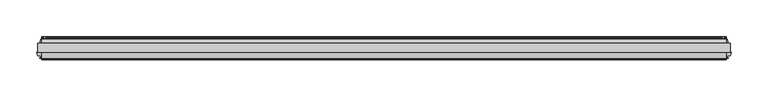
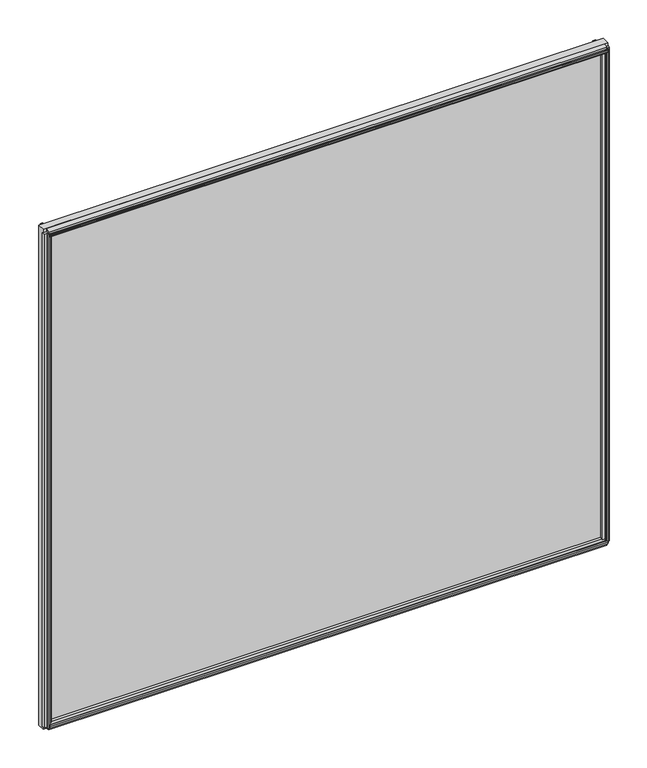
"""IFC4 building model written with IfcOpenShell, lengths in millimetres: plate geometry."""

from ifc_helpers import new_model, si_unit, frame, origin, place, context, project, spatial, polyline, outline, extrude, source, transform, mapped, element, save


def plate_53e7c995(model_context):
    return source(origin(), model_context, "Body", "SweptSolid", [
        extrude(outline(polyline([(472.3181594, -0.0460375), (472.3181594, -12.8984375), (-472.3181594, -12.8984375), (-472.3181594, -0.0460375), (472.3181594, -0.0460375)])), frame((0.0, 0.0, -25.4), z_axis=(0.0, 0.0, 1.0), x_axis=(1.0, 0.0, 0.0)), (0.0, 0.0, 1.0), 884.5249632),
        extrude(outline(polyline([(-12.8984375, 859.1590805), (-12.8984375, 845.3420306), (-17.6736375, 846.3409457), (-18.7846441, 850.4872789), (-21.5347434, 850.2500163), (-20.888384, 848.8191509), (-21.6734885, 848.6087827), (-22.6708491, 850.7607742), (-22.8831052, 853.1231337), (-22.0980007, 853.3335018), (-21.9423316, 851.7711563), (-19.4420445, 852.9407305), (-20.5530511, 857.0870637), (-12.8984375, 859.1590805)])), frame((-466.7619094, 0.0, 0.0), z_axis=(1.0, 0.0, 0.0), x_axis=(0.0, 1.0, 0.0)), (0.0, 0.0, 1.0), 933.5238188),
        extrude(outline(polyline([(4.8053625, 853.906368), (4.8053625, 849.613768), (7.5231625, 849.131168), (7.2691625, 850.680568), (8.0819625, 850.680568), (8.4883625, 848.343768), (8.0819625, 846.006968), (7.2691625, 846.006968), (7.5231625, 847.556368), (4.8053625, 847.073768), (4.8053625, 842.781168), (-0.0460375, 841.5477612), (-0.0460375, 855.1397747), (4.8053625, 853.906368)])), frame((-466.7619094, 0.0, 0.0), z_axis=(1.0, 0.0, 0.0), x_axis=(0.0, 1.0, 0.0)), (0.0, 0.0, 1.0), 933.5238188),
        extrude(outline(polyline([(465.9647124, -20.2926598), (465.4723952, -17.5766032), (461.1941202, -17.5766032), (460.004756, -12.8984375), (473.5063628, -12.8984375), (472.3193082, -17.5675189), (468.0123789, -17.5675189), (467.5395023, -20.2870275), (469.0923594, -20.0267543), (469.0923594, -20.8400217), (466.7555594, -21.2550375), (464.4187594, -20.8572426), (464.4187594, -20.0448993), (465.9647124, -20.2926598)])), frame((0.0, 0.0, -19.84375), z_axis=(0.0, 0.0, 1.0), x_axis=(1.0, 0.0, 0.0)), (0.0, 0.0, 1.0), 873.4124632),
        extrude(outline(polyline([(463.3231023, 7.6219525), (463.7986485, 4.8870913), (468.1068114, 4.8870913), (469.3609967, -0.0460375), (455.7173221, -0.0460375), (456.9777082, 4.9114812), (461.2559866, 4.9114812), (461.7483124, 7.6275848), (460.2009208, 7.3791279), (460.2009208, 8.1919227), (462.5391594, 8.5899625), (464.8744909, 8.1752075), (464.8715839, 7.3624127), (463.3231023, 7.6219525)])), frame((0.0, 0.0, -19.84375), z_axis=(0.0, 0.0, 1.0), x_axis=(1.0, 0.0, 0.0)), (0.0, 0.0, 1.0), 873.4124632),
        extrude(outline(polyline([(-467.5395023, -20.2870275), (-468.0150485, -17.5521663), (-472.3232114, -17.5521663), (-473.5037394, -12.9087562), (-460.0073794, -12.9087562), (-461.1941082, -17.5765562), (-465.4723866, -17.5765562), (-465.9647124, -20.2926598), (-464.4173208, -20.0442029), (-464.4173208, -20.8569977), (-466.7555594, -21.2550375), (-469.0908909, -20.8402825), (-469.0879839, -20.0274877), (-467.5395023, -20.2870275)])), frame((0.0, 0.0, -19.84375), z_axis=(0.0, 0.0, 1.0), x_axis=(1.0, 0.0, 0.0)), (0.0, 0.0, 1.0), 873.4124632),
        extrude(outline(polyline([(-461.7552165, 7.6219525), (-461.2796703, 4.8870913), (-456.9715074, 4.8870913), (-455.7173221, -0.0460375), (-469.3609967, -0.0460375), (-468.1006106, 4.9114812), (-463.8223321, 4.9114812), (-463.3300064, 7.6275848), (-464.8773979, 7.3791279), (-464.8773979, 8.1919227), (-462.5391594, 8.5899625), (-460.2038278, 8.1752075), (-460.2067348, 7.3624127), (-461.7552165, 7.6219525)])), frame((0.0, 0.0, -19.84375), z_axis=(0.0, 0.0, 1.0), x_axis=(1.0, 0.0, 0.0)), (0.0, 0.0, 1.0), 873.4124632),
        extrude(outline(polyline([(-12.8984375, -25.4341173), (-20.5530511, -23.3621005), (-19.4420445, -19.2157673), (-21.9423316, -18.0461931), (-22.0980007, -19.6085386), (-22.8831052, -19.3981705), (-22.6708491, -17.0358109), (-21.6734885, -14.8838195), (-20.888384, -15.0941876), (-21.5347434, -16.5250531), (-18.7846441, -16.7623157), (-17.6736375, -12.6159825), (-12.8984375, -11.6170674), (-12.8984375, -25.4341173)])), frame((-466.7619094, 0.0, 0.0), z_axis=(1.0, 0.0, 0.0), x_axis=(0.0, 1.0, 0.0)), (0.0, 0.0, 1.0), 933.5238188),
        extrude(outline(polyline([(4.8053625, -20.1814047), (-0.0460375, -21.4148115), (-0.0460375, -7.822798), (4.8053625, -9.0562047), (4.8053625, -13.3488047), (7.5231625, -13.8314047), (7.2691625, -12.2820047), (8.0819625, -12.2820047), (8.4883625, -14.6188047), (8.0819625, -16.9556047), (7.2691625, -16.9556047), (7.5231625, -15.4062047), (4.8053625, -15.8888047), (4.8053625, -20.1814047)])), frame((-466.7619094, 0.0, 0.0), z_axis=(1.0, 0.0, 0.0), x_axis=(0.0, 1.0, 0.0)), (0.0, 0.0, 1.0), 933.5238188),
    ])


if __name__ == "__main__":
    model = new_model("IFC4")
    model_context = context("Model", 3, world=origin())
    ifc_project = project(units=[si_unit("LENGTHUNIT", "METRE", prefix="MILLI")], contexts=[model_context])
    site = spatial("IfcSite", under=ifc_project)
    building = spatial("IfcBuilding", under=site)
    placement = place(None, origin())
    plate_shape = plate_53e7c995(model_context)
    element("IfcPlate", 1, at=placement, inside=building, context=model_context, shape_type="MappedRepresentation", body=[
        mapped(plate_shape, transform((0.0, 0.0, 0.0), x_axis=(1.0, 0.0, 0.0), y_axis=(0.0, 1.0, 0.0), z_axis=(0.0, 0.0, 1.0))),
    ])
    save(model, "model.ifc")
